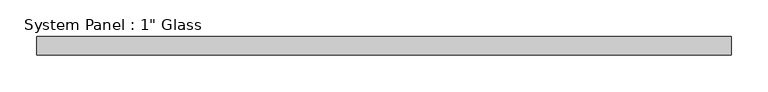
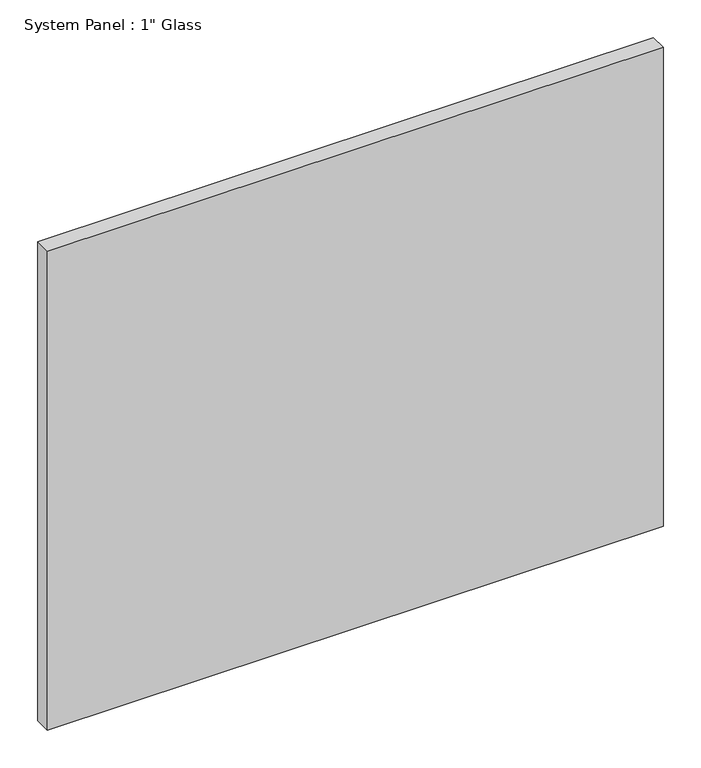
"""IFC4 building model written with IfcOpenShell, lengths in millimetres: plate geometry."""

from ifc_helpers import new_model, si_unit, origin, origin_with_axes, place, context, project, spatial, polyline, outline, extrude, source, transform, mapped, element, save


def plate_cd01e09c(model_context):
    return source(origin(), model_context, "Body", "SweptSolid", [
        extrude(outline(polyline([(472.6408815, -12.7), (-472.6408815, -12.7), (-472.6408815, 12.7), (472.6408815, 12.7), (472.6408815, -12.7)])), origin_with_axes(), (0.0, 0.0, 1.0), 777.875),
    ])


if __name__ == "__main__":
    model = new_model("IFC4")
    model_context = context("Model", 3, world=origin())
    ifc_project = project(units=[si_unit("LENGTHUNIT", "METRE", prefix="MILLI")], contexts=[model_context])
    site = spatial("IfcSite", under=ifc_project)
    building = spatial("IfcBuilding", under=site)
    placement = place(None, origin())
    plate_shape = plate_cd01e09c(model_context)
    element("IfcPlate", 1, ObjectType="System Panel : 1\" Glass", at=placement, inside=building, context=model_context, shape_type="MappedRepresentation", body=[
        mapped(plate_shape, transform((0.0, 0.0, 0.0), x_axis=(1.0, 0.0, 0.0), y_axis=(0.0, 1.0, 0.0), z_axis=(0.0, 0.0, 1.0))),
    ])
    save(model, "model.ifc")
